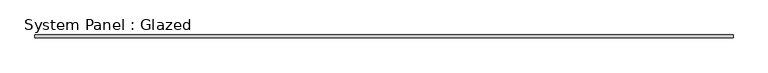
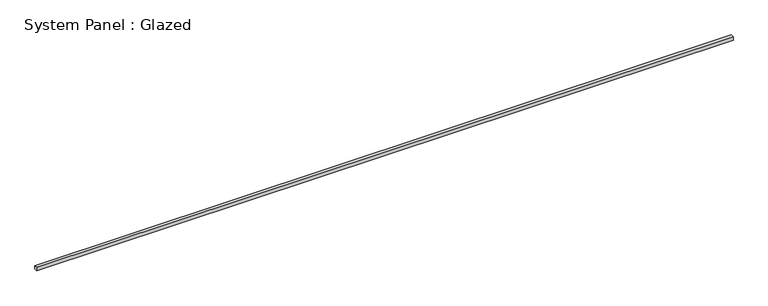
"""IFC4 building model written with IfcOpenShell, lengths in millimetres: plate geometry, System Panel : Glazed."""

import ifcopenshell
import ifcopenshell.guid

model = None  # the IFC model being written
_history = None  # IfcOwnerHistory: only IFC2X3 demands one
_inside = {}  # id of a spatial element -> (the spatial element, [elements in it])
_under = {}  # id of a project, library or spatial element -> (it, [spatial elements below it])
_declared = {}  # id of a project -> (the project, [libraries it declares])
_typed = {}  # id of a type object -> (the type object, [elements of that type])
_made_of = {}  # id of a material, layer set ... -> (it, [elements and type objects made of it])


def new_model(schema):
    """Start an empty IFC model of exactly this schema.

    Asked for "IFC4X3", IfcOpenShell would pick the latest addendum, in which some entities
    have other attributes; the version numbers below select the first issue.
    IFC2X3 requires an IfcOwnerHistory on every rooted entity: one is made here for all.
    """
    global model, _history
    if schema == "IFC4X3":
        model = ifcopenshell.file(schema_version=(4, 3, 0, 0))
    else:
        model = ifcopenshell.file(schema=schema)
    _inside.clear()
    _under.clear()
    _declared.clear()
    _typed.clear()
    _made_of.clear()
    _history = None
    if model.schema == "IFC2X3":
        org = make("IfcOrganization", Name="unknown")
        user = make(
            "IfcPersonAndOrganization",
            ThePerson=make("IfcPerson", FamilyName="unknown"),
            TheOrganization=org,
        )
        app = make(
            "IfcApplication",
            ApplicationDeveloper=org,
            Version="unknown",
            ApplicationFullName="unknown",
            ApplicationIdentifier="unknown",
        )
        _history = make(
            "IfcOwnerHistory",
            OwningUser=user,
            OwningApplication=app,
            ChangeAction="ADDED",
            CreationDate=0,
        )
    return model


def make(cls, **values):
    """One entity of the class cls with the attributes given. An attribute that is None is left unset."""
    return model.create_entity(
        cls, **{name: value for name, value in values.items() if value is not None}
    )


def rooted(cls, **values):
    """An entity with a GlobalId (a new one), such as an element, a storey or a relation."""
    return make(cls, GlobalId=ifcopenshell.guid.new(), OwnerHistory=_history, **values)


def si_unit(unit_type, name, prefix=None):
    """IfcSIUnit, for example si_unit("LENGTHUNIT", "METRE", prefix="MILLI")."""
    return make("IfcSIUnit", UnitType=unit_type, Prefix=prefix, Name=name)


def assignment(units):
    """IfcUnitAssignment: the units of a project."""
    return None if units is None else make("IfcUnitAssignment", Units=units)


def point(xyz):
    """IfcCartesianPoint."""
    return None if xyz is None else make("IfcCartesianPoint", Coordinates=xyz)


def direction(xyz):
    """IfcDirection."""
    return None if xyz is None else make("IfcDirection", DirectionRatios=xyz)


def frame(location, z_axis=None, x_axis=None):
    """IfcAxis2Placement3D, a coordinate frame: its origin and axes. An axis left out is left unset."""
    return make(
        "IfcAxis2Placement3D",
        Location=point(location),
        Axis=direction(z_axis),
        RefDirection=direction(x_axis),
    )


def origin():
    """The frame at (0, 0, 0) with its axes left unset."""
    return frame((0.0, 0.0, 0.0))


def origin_with_axes():
    """The frame at (0, 0, 0) with the z axis (0, 0, 1) and the x axis (1, 0, 0) written out."""
    return frame((0.0, 0.0, 0.0), z_axis=(0.0, 0.0, 1.0), x_axis=(1.0, 0.0, 0.0))


def place(relative_to, where):
    """IfcLocalPlacement: puts the frame where relative to a parent placement (None: the world)."""
    return make(
        "IfcLocalPlacement", PlacementRelTo=relative_to, RelativePlacement=where
    )


def context(
    kind, dimensions, precision=None, world=None, true_north=None, identifier=None
):
    """IfcGeometricRepresentationContext, for example the 3D "Model" context."""
    return make(
        "IfcGeometricRepresentationContext",
        ContextIdentifier=identifier,
        ContextType=kind,
        CoordinateSpaceDimension=dimensions,
        Precision=precision,
        WorldCoordinateSystem=world,
        TrueNorth=true_north,
    )


def project(units=None, contexts=None):
    """IfcProject with its units and contexts."""
    return rooted(
        "IfcProject",
        Name="project",
        RepresentationContexts=contexts,
        UnitsInContext=assignment(units),
    )


def spatial(cls, under=None, at=None, **own):
    """A site, building, storey or space (cls), placed at a placement, below another one or the project."""
    s = rooted(cls, ObjectPlacement=at, **own)
    if under is not None:
        _under.setdefault(under.id(), (under, []))[1].append(s)
    return s


def polyline(points):
    """IfcPolyline through the points."""
    return make("IfcPolyline", Points=[point(p) for p in points])


def outline(outer, holes=None, kind="AREA"):
    """IfcArbitraryClosedProfileDef: a profile drawn as a closed curve; with holes, ...WithVoids."""
    if holes is None:
        return make("IfcArbitraryClosedProfileDef", ProfileType=kind, OuterCurve=outer)
    return make(
        "IfcArbitraryProfileDefWithVoids",
        ProfileType=kind,
        OuterCurve=outer,
        InnerCurves=holes,
    )


def extrude(swept, where, along, depth):
    """IfcExtrudedAreaSolid: the profile swept, set in the frame where, extruded along a direction by depth."""
    return make(
        "IfcExtrudedAreaSolid",
        SweptArea=swept,
        Position=where,
        ExtrudedDirection=direction(along),
        Depth=depth,
    )


def shape(context_of_items, identifier, shape_type, items):
    """IfcShapeRepresentation: the items that make up one representation, for example the "Body"."""
    return make(
        "IfcShapeRepresentation",
        ContextOfItems=context_of_items,
        RepresentationIdentifier=identifier,
        RepresentationType=shape_type,
        Items=items,
    )


def source(mapping_origin, context_of_items, identifier, shape_type, items):
    """IfcRepresentationMap: a shape defined once, which mapped items show again and again."""
    return make(
        "IfcRepresentationMap",
        MappingOrigin=mapping_origin,
        MappedRepresentation=shape(context_of_items, identifier, shape_type, items),
    )


def transform(
    local_origin,
    x_axis=None,
    y_axis=None,
    z_axis=None,
    scale=None,
    scale2=None,
    scale3=None,
    uniform=True,
):
    """IfcCartesianTransformationOperator3D, or its non-uniform kind. x_axis, y_axis, z_axis: its Axis1, 2, 3."""
    if uniform:
        return make(
            "IfcCartesianTransformationOperator3D",
            Axis1=direction(x_axis),
            Axis2=direction(y_axis),
            LocalOrigin=point(local_origin),
            Scale=scale,
            Axis3=direction(z_axis),
        )
    return make(
        "IfcCartesianTransformationOperator3DnonUniform",
        Axis1=direction(x_axis),
        Axis2=direction(y_axis),
        LocalOrigin=point(local_origin),
        Scale=scale,
        Axis3=direction(z_axis),
        Scale2=scale2,
        Scale3=scale3,
    )


def mapped(mapping_source, mapping_target):
    """IfcMappedItem: shows the shape of a source again, moved by a transform."""
    return make(
        "IfcMappedItem", MappingSource=mapping_source, MappingTarget=mapping_target
    )


def made_of(thing, what):
    """Note that an element or type object is made of a material, layer set ...; save() writes the relation."""
    if what is not None:
        _made_of.setdefault(what.id(), (what, []))[1].append(thing)
    return thing


def element(
    cls,
    number,
    at=None,
    inside=None,
    cuts=None,
    type_object=None,
    material=None,
    context=None,
    identifier="Body",
    shape_type=None,
    held_by="IfcProductDefinitionShape",
    body=None,
    shapes=None,
    **own,
):
    """One element of the class cls, such as IfcWall. Its Tag is "e" and its number.

    at: its placement. inside: the storey or other place that contains it. cuts: it is an
    opening in that element (IfcRelVoidsElement). A single representation is given by context,
    identifier, shape_type and body (its items); several are given by shapes. held_by: the class
    of the entity that holds the representations. save() writes the other relations.
    """
    e = rooted(cls, Tag="e%d" % number, ObjectPlacement=at, **own)
    if body is not None:
        shapes = [shape(context, identifier, shape_type, body)]
    if shapes is not None:
        e.Representation = make(held_by, Representations=shapes)
    if inside is not None:
        _inside.setdefault(inside.id(), (inside, []))[1].append(e)
    if cuts is not None:
        rooted(
            "IfcRelVoidsElement", RelatingBuildingElement=cuts, RelatedOpeningElement=e
        )
    if type_object is not None:
        _typed.setdefault(type_object.id(), (type_object, []))[1].append(e)
    return made_of(e, material)


def aggregate(whole, parts):
    """IfcRelAggregates: a whole, such as a stair, and the parts it consists of."""
    return rooted("IfcRelAggregates", RelatingObject=whole, RelatedObjects=parts)


def save(model, path):
    """Write the relations noted so far, then the file.

    IfcRelAggregates (storeys below a building ...), IfcRelContainedInSpatialStructure (elements
    in a storey), IfcRelDefinesByType, IfcRelAssociatesMaterial and IfcRelDeclares: one each for
    every whole, place, type object, material and project.
    """
    for whole, parts in _under.values():
        aggregate(whole, parts)
    for where, things in _inside.values():
        rooted(
            "IfcRelContainedInSpatialStructure",
            RelatedElements=things,
            RelatingStructure=where,
        )
    for kind, things in _typed.values():
        rooted("IfcRelDefinesByType", RelatedObjects=things, RelatingType=kind)
    for what, things in _made_of.values():
        rooted("IfcRelAssociatesMaterial", RelatedObjects=things, RelatingMaterial=what)
    for by, libraries in _declared.values():
        rooted("IfcRelDeclares", RelatingContext=by, RelatedDefinitions=libraries)
    model.write(path)


def system_panel_glazed_e26d141b(model_context):
    return source(origin(), model_context, "Body", "SweptSolid", [
        extrude(outline(polyline([(3022.6, 25.4), (-3022.6, 25.4), (-3022.6, 50.8), (3022.6, 50.8), (3022.6, 25.4)])), origin_with_axes(), (0.0, 0.0, 1.0), 31.3255971),
    ])


if __name__ == "__main__":
    model = new_model("IFC4")
    model_context = context("Model", 3, world=origin())
    ifc_project = project(units=[si_unit("LENGTHUNIT", "METRE", prefix="MILLI")], contexts=[model_context])
    site = spatial("IfcSite", under=ifc_project)
    building = spatial("IfcBuilding", under=site)
    placement = place(None, origin())
    system_panel_glazed_shape = system_panel_glazed_e26d141b(model_context)
    element("IfcPlate", 1, ObjectType="System Panel : Glazed", at=placement, inside=building, context=model_context, shape_type="MappedRepresentation", body=[
        mapped(system_panel_glazed_shape, transform((0.0, 0.0, 0.0), x_axis=(1.0, 0.0, 0.0), y_axis=(0.0, 1.0, 0.0), z_axis=(0.0, 0.0, 1.0))),
    ])
    save(model, "model.ifc")
